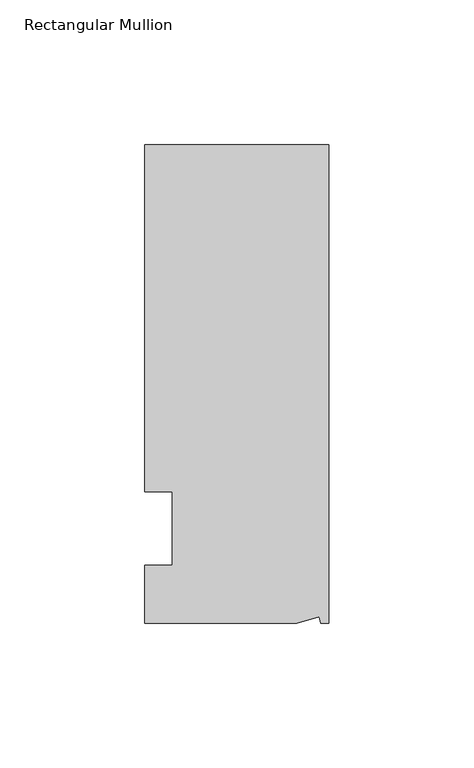
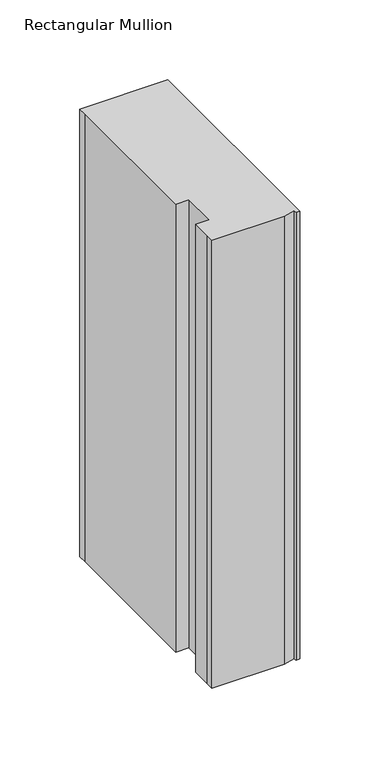
"""IFC4 building model written with IfcOpenShell, lengths in millimetres: member geometry, Rectangular Mullion."""

import ifcopenshell
import ifcopenshell.guid

model = None  # the IFC model being written
_history = None  # IfcOwnerHistory: only IFC2X3 demands one
_inside = {}  # id of a spatial element -> (the spatial element, [elements in it])
_under = {}  # id of a project, library or spatial element -> (it, [spatial elements below it])
_declared = {}  # id of a project -> (the project, [libraries it declares])
_typed = {}  # id of a type object -> (the type object, [elements of that type])
_made_of = {}  # id of a material, layer set ... -> (it, [elements and type objects made of it])


def new_model(schema):
    """Start an empty IFC model of exactly this schema.

    Asked for "IFC4X3", IfcOpenShell would pick the latest addendum, in which some entities
    have other attributes; the version numbers below select the first issue.
    IFC2X3 requires an IfcOwnerHistory on every rooted entity: one is made here for all.
    """
    global model, _history
    if schema == "IFC4X3":
        model = ifcopenshell.file(schema_version=(4, 3, 0, 0))
    else:
        model = ifcopenshell.file(schema=schema)
    _inside.clear()
    _under.clear()
    _declared.clear()
    _typed.clear()
    _made_of.clear()
    _history = None
    if model.schema == "IFC2X3":
        org = make("IfcOrganization", Name="unknown")
        user = make(
            "IfcPersonAndOrganization",
            ThePerson=make("IfcPerson", FamilyName="unknown"),
            TheOrganization=org,
        )
        app = make(
            "IfcApplication",
            ApplicationDeveloper=org,
            Version="unknown",
            ApplicationFullName="unknown",
            ApplicationIdentifier="unknown",
        )
        _history = make(
            "IfcOwnerHistory",
            OwningUser=user,
            OwningApplication=app,
            ChangeAction="ADDED",
            CreationDate=0,
        )
    return model


def make(cls, **values):
    """One entity of the class cls with the attributes given. An attribute that is None is left unset."""
    return model.create_entity(
        cls, **{name: value for name, value in values.items() if value is not None}
    )


def rooted(cls, **values):
    """An entity with a GlobalId (a new one), such as an element, a storey or a relation."""
    return make(cls, GlobalId=ifcopenshell.guid.new(), OwnerHistory=_history, **values)


def si_unit(unit_type, name, prefix=None):
    """IfcSIUnit, for example si_unit("LENGTHUNIT", "METRE", prefix="MILLI")."""
    return make("IfcSIUnit", UnitType=unit_type, Prefix=prefix, Name=name)


def assignment(units):
    """IfcUnitAssignment: the units of a project."""
    return None if units is None else make("IfcUnitAssignment", Units=units)


def point(xyz):
    """IfcCartesianPoint."""
    return None if xyz is None else make("IfcCartesianPoint", Coordinates=xyz)


def direction(xyz):
    """IfcDirection."""
    return None if xyz is None else make("IfcDirection", DirectionRatios=xyz)


def frame(location, z_axis=None, x_axis=None):
    """IfcAxis2Placement3D, a coordinate frame: its origin and axes. An axis left out is left unset."""
    return make(
        "IfcAxis2Placement3D",
        Location=point(location),
        Axis=direction(z_axis),
        RefDirection=direction(x_axis),
    )


def origin():
    """The frame at (0, 0, 0) with its axes left unset."""
    return frame((0.0, 0.0, 0.0))


def place(relative_to, where):
    """IfcLocalPlacement: puts the frame where relative to a parent placement (None: the world)."""
    return make(
        "IfcLocalPlacement", PlacementRelTo=relative_to, RelativePlacement=where
    )


def context(
    kind, dimensions, precision=None, world=None, true_north=None, identifier=None
):
    """IfcGeometricRepresentationContext, for example the 3D "Model" context."""
    return make(
        "IfcGeometricRepresentationContext",
        ContextIdentifier=identifier,
        ContextType=kind,
        CoordinateSpaceDimension=dimensions,
        Precision=precision,
        WorldCoordinateSystem=world,
        TrueNorth=true_north,
    )


def project(units=None, contexts=None):
    """IfcProject with its units and contexts."""
    return rooted(
        "IfcProject",
        Name="project",
        RepresentationContexts=contexts,
        UnitsInContext=assignment(units),
    )


def spatial(cls, under=None, at=None, **own):
    """A site, building, storey or space (cls), placed at a placement, below another one or the project."""
    s = rooted(cls, ObjectPlacement=at, **own)
    if under is not None:
        _under.setdefault(under.id(), (under, []))[1].append(s)
    return s


def polyline(points):
    """IfcPolyline through the points."""
    return make("IfcPolyline", Points=[point(p) for p in points])


def outline(outer, holes=None, kind="AREA"):
    """IfcArbitraryClosedProfileDef: a profile drawn as a closed curve; with holes, ...WithVoids."""
    if holes is None:
        return make("IfcArbitraryClosedProfileDef", ProfileType=kind, OuterCurve=outer)
    return make(
        "IfcArbitraryProfileDefWithVoids",
        ProfileType=kind,
        OuterCurve=outer,
        InnerCurves=holes,
    )


def extrude(swept, where, along, depth):
    """IfcExtrudedAreaSolid: the profile swept, set in the frame where, extruded along a direction by depth."""
    return make(
        "IfcExtrudedAreaSolid",
        SweptArea=swept,
        Position=where,
        ExtrudedDirection=direction(along),
        Depth=depth,
    )


def shape(context_of_items, identifier, shape_type, items):
    """IfcShapeRepresentation: the items that make up one representation, for example the "Body"."""
    return make(
        "IfcShapeRepresentation",
        ContextOfItems=context_of_items,
        RepresentationIdentifier=identifier,
        RepresentationType=shape_type,
        Items=items,
    )


def source(mapping_origin, context_of_items, identifier, shape_type, items):
    """IfcRepresentationMap: a shape defined once, which mapped items show again and again."""
    return make(
        "IfcRepresentationMap",
        MappingOrigin=mapping_origin,
        MappedRepresentation=shape(context_of_items, identifier, shape_type, items),
    )


def transform(
    local_origin,
    x_axis=None,
    y_axis=None,
    z_axis=None,
    scale=None,
    scale2=None,
    scale3=None,
    uniform=True,
):
    """IfcCartesianTransformationOperator3D, or its non-uniform kind. x_axis, y_axis, z_axis: its Axis1, 2, 3."""
    if uniform:
        return make(
            "IfcCartesianTransformationOperator3D",
            Axis1=direction(x_axis),
            Axis2=direction(y_axis),
            LocalOrigin=point(local_origin),
            Scale=scale,
            Axis3=direction(z_axis),
        )
    return make(
        "IfcCartesianTransformationOperator3DnonUniform",
        Axis1=direction(x_axis),
        Axis2=direction(y_axis),
        LocalOrigin=point(local_origin),
        Scale=scale,
        Axis3=direction(z_axis),
        Scale2=scale2,
        Scale3=scale3,
    )


def mapped(mapping_source, mapping_target):
    """IfcMappedItem: shows the shape of a source again, moved by a transform."""
    return make(
        "IfcMappedItem", MappingSource=mapping_source, MappingTarget=mapping_target
    )


def made_of(thing, what):
    """Note that an element or type object is made of a material, layer set ...; save() writes the relation."""
    if what is not None:
        _made_of.setdefault(what.id(), (what, []))[1].append(thing)
    return thing


def element(
    cls,
    number,
    at=None,
    inside=None,
    cuts=None,
    type_object=None,
    material=None,
    context=None,
    identifier="Body",
    shape_type=None,
    held_by="IfcProductDefinitionShape",
    body=None,
    shapes=None,
    **own,
):
    """One element of the class cls, such as IfcWall. Its Tag is "e" and its number.

    at: its placement. inside: the storey or other place that contains it. cuts: it is an
    opening in that element (IfcRelVoidsElement). A single representation is given by context,
    identifier, shape_type and body (its items); several are given by shapes. held_by: the class
    of the entity that holds the representations. save() writes the other relations.
    """
    e = rooted(cls, Tag="e%d" % number, ObjectPlacement=at, **own)
    if body is not None:
        shapes = [shape(context, identifier, shape_type, body)]
    if shapes is not None:
        e.Representation = make(held_by, Representations=shapes)
    if inside is not None:
        _inside.setdefault(inside.id(), (inside, []))[1].append(e)
    if cuts is not None:
        rooted(
            "IfcRelVoidsElement", RelatingBuildingElement=cuts, RelatedOpeningElement=e
        )
    if type_object is not None:
        _typed.setdefault(type_object.id(), (type_object, []))[1].append(e)
    return made_of(e, material)


def aggregate(whole, parts):
    """IfcRelAggregates: a whole, such as a stair, and the parts it consists of."""
    return rooted("IfcRelAggregates", RelatingObject=whole, RelatedObjects=parts)


def save(model, path):
    """Write the relations noted so far, then the file.

    IfcRelAggregates (storeys below a building ...), IfcRelContainedInSpatialStructure (elements
    in a storey), IfcRelDefinesByType, IfcRelAssociatesMaterial and IfcRelDeclares: one each for
    every whole, place, type object, material and project.
    """
    for whole, parts in _under.values():
        aggregate(whole, parts)
    for where, things in _inside.values():
        rooted(
            "IfcRelContainedInSpatialStructure",
            RelatedElements=things,
            RelatingStructure=where,
        )
    for kind, things in _typed.values():
        rooted("IfcRelDefinesByType", RelatedObjects=things, RelatingType=kind)
    for what, things in _made_of.values():
        rooted("IfcRelAssociatesMaterial", RelatedObjects=things, RelatingMaterial=what)
    for by, libraries in _declared.values():
        rooted("IfcRelDeclares", RelatingContext=by, RelatedDefinitions=libraries)
    model.write(path)


def rectangular_mullion_b364b7b2(model_context):
    return source(origin(), model_context, "Body", "SweptSolid", [
        extrude(outline(polyline([(0.0, 132.5561012), (0.0, -32.5438988), (-2.7616541, -32.5438988), (-3.3341886, -30.4622958), (-11.121847, -32.5438988), (-63.5, -32.5438988), (-63.5, -26.1938988), (-63.5, -12.5945801), (-53.975, -12.5945801), (-53.975, 12.8054199), (-63.5, 12.8054199), (-63.5, 126.2061012), (-63.5, 132.5561012), (0.0, 132.5561012)])), frame((0.0, 0.0, -341.95385), z_axis=(0.0, 0.0, 1.0), x_axis=(1.0, 0.0, 0.0)), (0.0, 0.0, 1.0), 341.95385),
    ])


if __name__ == "__main__":
    model = new_model("IFC4")
    model_context = context("Model", 3, world=origin())
    ifc_project = project(units=[si_unit("LENGTHUNIT", "METRE", prefix="MILLI")], contexts=[model_context])
    site = spatial("IfcSite", under=ifc_project)
    building = spatial("IfcBuilding", under=site)
    placement = place(None, origin())
    rectangular_mullion_shape = rectangular_mullion_b364b7b2(model_context)
    element("IfcMember", 1, ObjectType="Rectangular Mullion", at=placement, inside=building, context=model_context, shape_type="MappedRepresentation", body=[
        mapped(rectangular_mullion_shape, transform((0.0, 0.0, 0.0), x_axis=(1.0, 0.0, 0.0), y_axis=(0.0, 1.0, 0.0), z_axis=(0.0, 0.0, 1.0))),
    ])
    save(model, "model.ifc")
